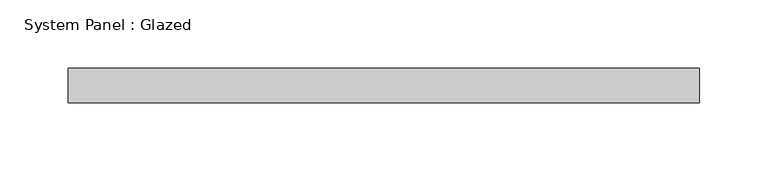
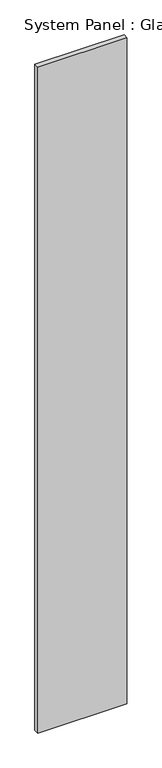
"""IFC4 building model written with IfcOpenShell, lengths in millimetres: plate geometry, System Panel : Glazed."""

from ifc_helpers import new_model, si_unit, origin, origin_with_axes, place, context, project, spatial, polyline, outline, extrude, source, transform, mapped, element, save


def system_panel_glazed_756b2299(model_context):
    return source(origin(), model_context, "Body", "SweptSolid", [
        extrude(outline(polyline([(231.66831, 19.05), (-231.66831, 19.05), (-231.66831, 44.45), (231.66831, 44.45), (231.66831, 19.05)])), origin_with_axes(), (0.0, 0.0, 1.0), 3657.6),
    ])


if __name__ == "__main__":
    model = new_model("IFC4")
    model_context = context("Model", 3, world=origin())
    ifc_project = project(units=[si_unit("LENGTHUNIT", "METRE", prefix="MILLI")], contexts=[model_context])
    site = spatial("IfcSite", under=ifc_project)
    building = spatial("IfcBuilding", under=site)
    placement = place(None, origin())
    system_panel_glazed_shape = system_panel_glazed_756b2299(model_context)
    element("IfcPlate", 1, ObjectType="System Panel : Glazed", at=placement, inside=building, context=model_context, shape_type="MappedRepresentation", body=[
        mapped(system_panel_glazed_shape, transform((0.0, 0.0, 0.0), x_axis=(1.0, 0.0, 0.0), y_axis=(0.0, 1.0, 0.0), z_axis=(0.0, 0.0, 1.0))),
    ])
    save(model, "model.ifc")
